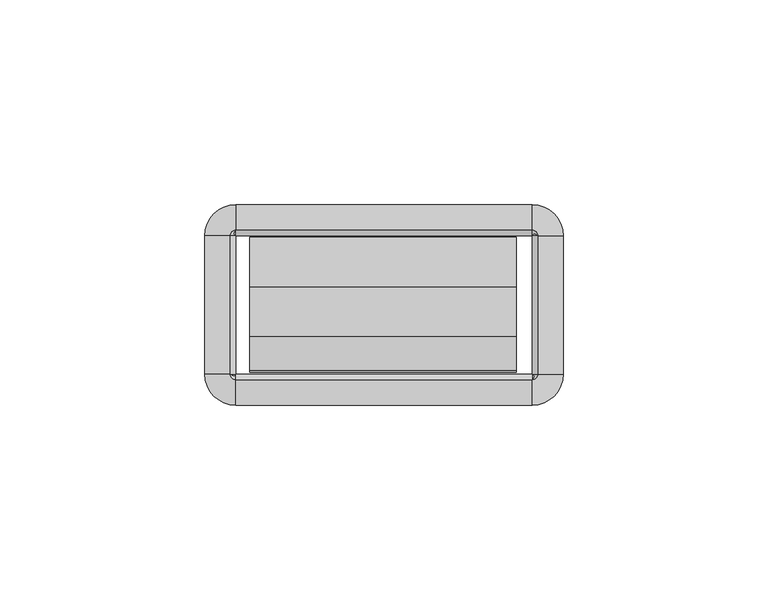
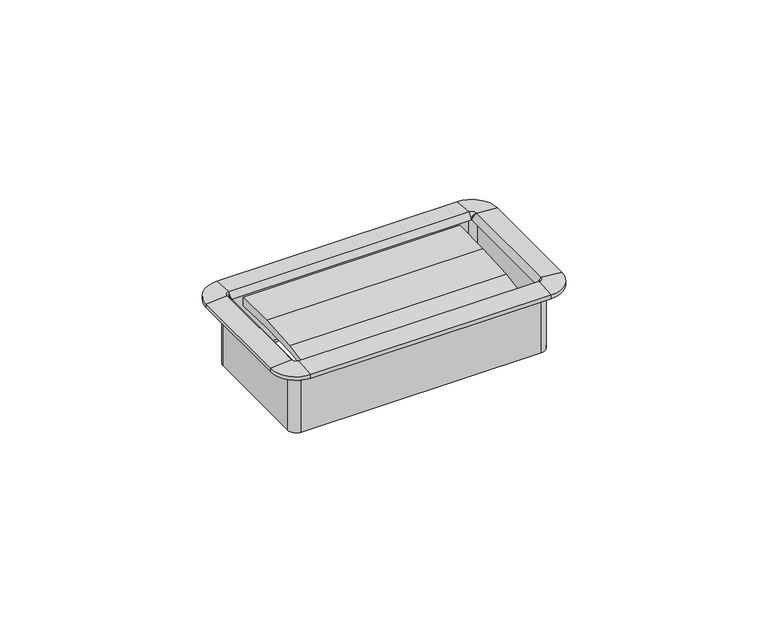
"""IFC4 building model written with IfcOpenShell, lengths in millimetres: furniture geometry."""

from ifc_helpers import new_model, si_unit, frame, origin, place, context, project, spatial, polyline, circle_curve, outline, extrude, source, transform, mapped, element, save
from ifc_brep_helpers import plane_surface, cylinder_surface, revolved_surface, advanced_brep


def furniture_0b63e266(model_context):
    return source(origin(), model_context, "Body", "SolidModel", [
        extrude(outline(polyline([(-27.4015977, 724.1717463), (-35.841251, 723.1081762), (-35.4230807, 724.4861243), (-27.1272776, 726.0251401), (-15.0207956, 726.8187076), (-2.8884162, 726.8638028), (-2.9633248, 724.1056515), (-15.1814712, 724.5046355), (-27.4015977, 724.1717463)])), frame((-32.8496732, 0.0, 0.0), z_axis=(1.0, 0.0, 0.0), x_axis=(0.0, 1.0, 0.0)), (0.0, 0.0, 1.0), 65.1763996),
        advanced_brep(
        [(37.8602578, -2.54, 727.1004), (36.1704551, -0.8501974, 727.1004), (36.1704551, -0.8501974, 708.2536), (37.8602578, -2.54, 708.2536), (37.5244377, -2.54, 728.7656454), (36.1704551, -1.1860174, 728.7656454), (36.1704551, -2.5172282, 727.1004), (43.7913825, -2.54, 728.2434), (36.1704551, 5.0809274, 728.2434), (43.7913825, -2.54, 727.1004), (36.1704551, 5.0809274, 727.1004), (38.7104551, -2.54, 706.7803989), (36.1704551, 0.0, 706.7803989), (36.1704551, 0.0, 727.1004), (38.7104551, -2.54, 727.1004), (37.8602578, -36.2712, 708.2536), (37.8602578, -36.2712, 727.1004), (36.1932269, -36.2712, 727.1004), (37.5244377, -36.2712, 728.7656454), (43.7913825, -36.2712, 728.2434), (43.7913825, -36.2712, 727.1004), (38.7104551, -36.2712, 727.1004), (38.7104551, -36.2712, 706.7803989), (36.1704551, -37.9610026, 727.1004), (36.1704551, -37.9610026, 708.2536), (36.1704551, -37.6251826, 728.7656454), (36.1704551, -43.8921274, 728.2434), (36.1704551, -43.8921274, 727.1004), (36.1704551, -38.8112, 706.7803989), (36.1704551, -38.8112, 727.1004), (-36.1687428, -37.9610026, 708.2536), (-36.1687428, -37.9610026, 727.1004), (-36.1687428, -36.2939718, 727.1004), (-36.1687428, -37.6251826, 728.7656454), (-36.1687428, -43.8921274, 728.2434), (-36.1687428, -43.8921274, 727.1004), (-36.1687428, -38.8112, 727.1004), (-36.1687428, -38.8112, 706.7803989), (-37.8585455, -36.2712, 727.1004), (-37.8585455, -36.2712, 708.2536), (-37.5227254, -36.2712, 728.7656454), (-43.7896702, -36.2712, 728.2434), (-43.7896702, -36.2712, 727.1004), (-38.7087428, -36.2712, 706.7803989), (-38.7087428, -36.2712, 727.1004), (-37.8585455, -2.54, 708.2536), (-37.8585455, -2.54, 727.1004), (-36.1915146, -2.54, 727.1004), (-37.5227254, -2.54, 728.7656454), (-43.7896702, -2.54, 728.2434), (-43.7896702, -2.54, 727.1004), (-38.7087428, -2.54, 727.1004), (-38.7087428, -2.54, 706.7803989), (-36.1687428, -0.8501974, 727.1004), (-36.1687428, -0.8501974, 708.2536), (-36.1687428, -1.1860174, 728.7656454), (-36.1687428, 5.0809274, 728.2434), (-36.1687428, 5.0809274, 727.1004), (-36.1687428, 0.0, 706.7803989), (-36.1687428, 0.0, 727.1004), (38.6519521, -2.54, 708.2536), (36.1704551, -0.058503, 708.2536), (38.6519521, -36.2712, 708.2536), (36.1704551, -38.752697, 708.2536), (-36.1687428, -38.752697, 708.2536), (-38.6502398, -36.2712, 708.2536), (-38.6502398, -2.54, 708.2536), (-36.1687428, -0.058503, 708.2536)],
        [
            (0, 1, circle_curve(frame((36.1704551, -2.54, 727.1004), z_axis=(0.0, 0.0, 1.0), x_axis=(0.0, 1.0, 0.0)), 1.6898026)),
            (1, 2),
            (2, 3, circle_curve(frame((36.1704551, -2.54, 708.2536), z_axis=(0.0, 0.0, -1.0), x_axis=(0.0, 1.0, 0.0)), 1.6898026)),
            (3, 0),
            (4, 5, circle_curve(frame((36.1704551, -2.54, 728.7656454), z_axis=(0.0, 0.0, 1.0), x_axis=(0.0, 1.0, 0.0)), 1.3539826)),
            (5, 6),
            (6, 4),
            (7, 8, circle_curve(frame((36.1704551, -2.54, 728.2434), z_axis=(0.0, 0.0, 1.0), x_axis=(0.0, 1.0, 0.0)), 7.6209274)),
            (8, 5),
            (4, 7),
            (9, 10, circle_curve(frame((36.1704551, -2.54, 727.1004), z_axis=(0.0, 0.0, 1.0), x_axis=(0.0, 1.0, 0.0)), 7.6209274)),
            (10, 8),
            (7, 9),
            (11, 12, circle_curve(frame((36.1704551, -2.54, 706.7803989), z_axis=(0.0, 0.0, 1.0), x_axis=(0.0, 1.0, 0.0)), 2.54)),
            (12, 13),
            (13, 14, circle_curve(frame((36.1704551, -2.54, 727.1004), z_axis=(0.0, 0.0, -1.0), x_axis=(0.0, 1.0, 0.0)), 2.54)),
            (14, 11),
            (3, 15),
            (15, 16),
            (16, 0),
            (6, 17),
            (17, 18),
            (18, 4),
            (18, 19),
            (19, 7),
            (19, 20),
            (20, 9),
            (14, 21),
            (21, 22),
            (22, 11),
            (23, 16, circle_curve(frame((36.1704551, -36.2712, 727.1004), z_axis=(0.0, 0.0, 1.0), x_axis=(1.0, 0.0, 0.0)), 1.6898026)),
            (15, 24, circle_curve(frame((36.1704551, -36.2712, 708.2536), z_axis=(0.0, 0.0, -1.0), x_axis=(1.0, 0.0, 0.0)), 1.6898026)),
            (24, 23),
            (25, 18, circle_curve(frame((36.1704551, -36.2712, 728.7656454), z_axis=(0.0, 0.0, 1.0), x_axis=(1.0, 0.0, 0.0)), 1.3539826)),
            (17, 25),
            (26, 19, circle_curve(frame((36.1704551, -36.2712, 728.2434), z_axis=(0.0, 0.0, 1.0), x_axis=(1.0, 0.0, 0.0)), 7.6209274)),
            (25, 26),
            (27, 20, circle_curve(frame((36.1704551, -36.2712, 727.1004), z_axis=(0.0, 0.0, 1.0), x_axis=(1.0, 0.0, 0.0)), 7.6209274)),
            (26, 27),
            (28, 22, circle_curve(frame((36.1704551, -36.2712, 706.7803989), z_axis=(0.0, 0.0, 1.0), x_axis=(1.0, 0.0, 0.0)), 2.54)),
            (21, 29, circle_curve(frame((36.1704551, -36.2712, 727.1004), z_axis=(0.0, 0.0, -1.0), x_axis=(1.0, 0.0, 0.0)), 2.54)),
            (29, 28),
            (24, 30),
            (30, 31),
            (31, 23),
            (17, 32),
            (32, 33),
            (33, 25),
            (33, 34),
            (34, 26),
            (34, 35),
            (35, 27),
            (29, 36),
            (36, 37),
            (37, 28),
            (38, 31, circle_curve(frame((-36.1687428, -36.2712, 727.1004), z_axis=(0.0, 0.0, 1.0), x_axis=(0.0, -1.0, 0.0)), 1.6898026)),
            (30, 39, circle_curve(frame((-36.1687428, -36.2712, 708.2536), z_axis=(0.0, 0.0, -1.0), x_axis=(0.0, -1.0, 0.0)), 1.6898026)),
            (39, 38),
            (40, 33, circle_curve(frame((-36.1687428, -36.2712, 728.7656454), z_axis=(0.0, 0.0, 1.0), x_axis=(0.0, -1.0, 0.0)), 1.3539826)),
            (32, 40),
            (41, 34, circle_curve(frame((-36.1687428, -36.2712, 728.2434), z_axis=(0.0, 0.0, 1.0), x_axis=(0.0, -1.0, 0.0)), 7.6209274)),
            (40, 41),
            (42, 35, circle_curve(frame((-36.1687428, -36.2712, 727.1004), z_axis=(0.0, 0.0, 1.0), x_axis=(0.0, -1.0, 0.0)), 7.6209274)),
            (41, 42),
            (43, 37, circle_curve(frame((-36.1687428, -36.2712, 706.7803989), z_axis=(0.0, 0.0, 1.0), x_axis=(0.0, -1.0, 0.0)), 2.54)),
            (36, 44, circle_curve(frame((-36.1687428, -36.2712, 727.1004), z_axis=(0.0, 0.0, -1.0), x_axis=(0.0, -1.0, 0.0)), 2.54)),
            (44, 43),
            (39, 45),
            (45, 46),
            (46, 38),
            (32, 47),
            (47, 48),
            (48, 40),
            (48, 49),
            (49, 41),
            (49, 50),
            (50, 42),
            (44, 51),
            (51, 52),
            (52, 43),
            (53, 46, circle_curve(frame((-36.1687428, -2.54, 727.1004), z_axis=(0.0, 0.0, 1.0), x_axis=(-1.0, 0.0, 0.0)), 1.6898026)),
            (45, 54, circle_curve(frame((-36.1687428, -2.54, 708.2536), z_axis=(0.0, 0.0, -1.0), x_axis=(-1.0, 0.0, 0.0)), 1.6898026)),
            (54, 53),
            (55, 48, circle_curve(frame((-36.1687428, -2.54, 728.7656454), z_axis=(0.0, 0.0, 1.0), x_axis=(-1.0, 0.0, 0.0)), 1.3539826)),
            (47, 55),
            (56, 49, circle_curve(frame((-36.1687428, -2.54, 728.2434), z_axis=(0.0, 0.0, 1.0), x_axis=(-1.0, 0.0, 0.0)), 7.6209274)),
            (55, 56),
            (57, 50, circle_curve(frame((-36.1687428, -2.54, 727.1004), z_axis=(0.0, 0.0, 1.0), x_axis=(-1.0, 0.0, 0.0)), 7.6209274)),
            (56, 57),
            (58, 52, circle_curve(frame((-36.1687428, -2.54, 706.7803989), z_axis=(0.0, 0.0, 1.0), x_axis=(-1.0, 0.0, 0.0)), 2.54)),
            (51, 59, circle_curve(frame((-36.1687428, -2.54, 727.1004), z_axis=(0.0, 0.0, -1.0), x_axis=(-1.0, 0.0, 0.0)), 2.54)),
            (59, 58),
            (54, 2),
            (1, 53),
            (6, 47),
            (5, 55),
            (8, 56),
            (10, 57),
            (13, 59),
            (12, 58),
            (60, 61, circle_curve(frame((36.1704551, -2.54, 708.2536), z_axis=(0.0, 0.0, 1.0), x_axis=(0.0, 1.0, 0.0)), 2.481497)),
            (61, 12),
            (11, 60),
            (22, 62),
            (62, 60),
            (63, 62, circle_curve(frame((36.1704551, -36.2712, 708.2536), z_axis=(0.0, 0.0, 1.0), x_axis=(1.0, 0.0, 0.0)), 2.481497)),
            (28, 63),
            (37, 64),
            (64, 63),
            (65, 64, circle_curve(frame((-36.1687428, -36.2712, 708.2536), z_axis=(0.0, 0.0, 1.0), x_axis=(0.0, -1.0, 0.0)), 2.481497)),
            (43, 65),
            (52, 66),
            (66, 65),
            (67, 66, circle_curve(frame((-36.1687428, -2.54, 708.2536), z_axis=(0.0, 0.0, 1.0), x_axis=(-1.0, 0.0, 0.0)), 2.481497)),
            (58, 67),
            (61, 67),
        ],
        [
            revolved_surface(polyline([(36.1704551, -0.8501974000000001, 708.2536), (36.1704551, -0.8501974000000001, 727.1004)]), (36.1704551, -2.54, 727.1004), (0.0, 0.0, -1.0)),
            revolved_surface(polyline([(36.1704551, -2.5172282, 727.1004), (36.1704551, -1.1860174, 728.7656454)]), (36.1704551, -2.54, 727.1004), (0.0, 0.0, -1.0)),
            revolved_surface(polyline([(36.1704551, -1.1860174, 728.7656454), (36.1704551, 5.0809274, 728.2434)]), (36.1704551, -2.54, 727.1004), (0.0, 0.0, -1.0)),
            cylinder_surface(frame((36.1704551, -2.54, 727.1004), z_axis=(0.0, 0.0, -1.0), x_axis=(0.0, 1.0, 0.0)), 7.6209274),
            cylinder_surface(frame((36.1704551, -2.54, 727.1004), z_axis=(0.0, 0.0, -1.0), x_axis=(0.0, 1.0, 0.0)), 2.54),
            plane_surface(frame((37.8602578, -2.54, 708.2536), z_axis=(-1.0, 0.0, 0.0), x_axis=(0.0, -1.0, 0.0))),
            plane_surface(frame((36.1932269, -2.54, 727.1004), z_axis=(-0.7810942622858547, 0.0, 0.6244131272035499), x_axis=(0.0, -1.0, 0.0))),
            plane_surface(frame((37.5244377, -2.54, 728.7656454), z_axis=(0.08304548081379862, 0.0, 0.9965457581648749), x_axis=(0.0, -1.0, 0.0))),
            plane_surface(frame((43.7913825, -2.54, 728.2434), z_axis=(1.0, 0.0, 0.0), x_axis=(0.0, -1.0, 0.0))),
            plane_surface(frame((38.7104551, -2.54, 727.1004), z_axis=(1.0, 0.0, 0.0), x_axis=(0.0, -1.0, 0.0))),
            revolved_surface(polyline([(37.8602577, -36.2712, 708.2536), (37.8602577, -36.2712, 727.1004)]), (36.1704551, -36.2712, 727.1004), (0.0, 0.0, -1.0)),
            revolved_surface(polyline([(36.1932269, -36.2712, 727.1004), (37.5244377, -36.2712, 728.7656454)]), (36.1704551, -36.2712, 727.1004), (0.0, 0.0, -1.0)),
            revolved_surface(polyline([(37.5244377, -36.2712, 728.7656454), (43.7913825, -36.2712, 728.2434)]), (36.1704551, -36.2712, 727.1004), (0.0, 0.0, -1.0)),
            cylinder_surface(frame((36.1704551, -36.2712, 727.1004), z_axis=(0.0, 0.0, -1.0), x_axis=(1.0, 0.0, 0.0)), 7.6209274),
            cylinder_surface(frame((36.1704551, -36.2712, 727.1004), z_axis=(0.0, 0.0, -1.0), x_axis=(1.0, 0.0, 0.0)), 2.54),
            plane_surface(frame((36.1704551, -37.9610026, 708.2536), z_axis=(0.0, 1.0, 0.0), x_axis=(-1.0, 0.0, 0.0))),
            plane_surface(frame((36.1704551, -36.2939718, 727.1004), z_axis=(0.0, 0.7810942622858565, 0.6244131272035475), x_axis=(-1.0, 0.0, 0.0))),
            plane_surface(frame((36.1704551, -37.6251826, 728.7656454), z_axis=(0.0, -0.08304548081379555, 0.9965457581648751), x_axis=(-1.0, 0.0, 0.0))),
            plane_surface(frame((36.1704551, -43.8921274, 728.2434), z_axis=(0.0, -1.0, 0.0), x_axis=(-1.0, 0.0, 0.0))),
            plane_surface(frame((36.1704551, -38.8112, 727.1004), z_axis=(0.0, -1.0, 0.0), x_axis=(-1.0, 0.0, 0.0))),
            revolved_surface(polyline([(-36.1687428, -37.9610026, 708.2536), (-36.1687428, -37.9610026, 727.1004)]), (-36.1687428, -36.2712, 727.1004), (0.0, 0.0, -1.0)),
            revolved_surface(polyline([(-36.1687428, -36.2939718, 727.1004), (-36.1687428, -37.6251826, 728.7656454)]), (-36.1687428, -36.2712, 727.1004), (0.0, 0.0, -1.0)),
            revolved_surface(polyline([(-36.1687428, -37.6251826, 728.7656454), (-36.1687428, -43.8921274, 728.2434)]), (-36.1687428, -36.2712, 727.1004), (0.0, 0.0, -1.0)),
            cylinder_surface(frame((-36.1687428, -36.2712, 727.1004), z_axis=(0.0, 0.0, -1.0), x_axis=(0.0, -1.0, 0.0)), 7.6209274),
            cylinder_surface(frame((-36.1687428, -36.2712, 727.1004), z_axis=(0.0, 0.0, -1.0), x_axis=(0.0, -1.0, 0.0)), 2.54),
            plane_surface(frame((-37.8585455, -36.2712, 708.2536), z_axis=(1.0, 0.0, 0.0), x_axis=(0.0, 1.0, 0.0))),
            plane_surface(frame((-36.1915146, -36.2712, 727.1004), z_axis=(0.7810942622858585, 0.0, 0.6244131272035451), x_axis=(0.0, 1.0, 0.0))),
            plane_surface(frame((-37.5227254, -36.2712, 728.7656454), z_axis=(-0.08304548081379248, 0.0, 0.9965457581648753), x_axis=(0.0, 1.0, 0.0))),
            plane_surface(frame((-43.7896702, -36.2712, 728.2434), z_axis=(-1.0, 0.0, 0.0), x_axis=(0.0, 1.0, 0.0))),
            plane_surface(frame((-38.7087428, -36.2712, 727.1004), z_axis=(-1.0, 0.0, 0.0), x_axis=(0.0, 1.0, 0.0))),
            revolved_surface(polyline([(-37.8585454, -2.54, 708.2536), (-37.8585454, -2.54, 727.1004)]), (-36.1687428, -2.54, 727.1004), (0.0, 0.0, -1.0)),
            revolved_surface(polyline([(-36.1915146, -2.54, 727.1004), (-37.5227254, -2.54, 728.7656454)]), (-36.1687428, -2.54, 727.1004), (0.0, 0.0, -1.0)),
            revolved_surface(polyline([(-37.5227254, -2.54, 728.7656454), (-43.7896702, -2.54, 728.2434)]), (-36.1687428, -2.54, 727.1004), (0.0, 0.0, -1.0)),
            cylinder_surface(frame((-36.1687428, -2.54, 727.1004), z_axis=(0.0, 0.0, -1.0), x_axis=(-1.0, 0.0, 0.0)), 7.6209274),
            cylinder_surface(frame((-36.1687428, -2.54, 727.1004), z_axis=(0.0, 0.0, -1.0), x_axis=(-1.0, 0.0, 0.0)), 2.54),
            plane_surface(frame((-36.1687428, -0.8501974, 708.2536), z_axis=(0.0, -1.0, 0.0), x_axis=(1.0, 0.0, 0.0))),
            plane_surface(frame((-36.1687428, -0.8501974, 727.1004), z_axis=(0.0, 0.0, -1.0), x_axis=(1.0, 0.0, 0.0))),
            plane_surface(frame((-36.1687428, -2.5172282, 727.1004), z_axis=(0.0, -0.7810942622858567, 0.6244131272035476), x_axis=(1.0, 0.0, 0.0))),
            plane_surface(frame((-36.1687428, -1.1860174, 728.7656454), z_axis=(0.0, 0.08304548081379555, 0.9965457581648751), x_axis=(1.0, 0.0, 0.0))),
            plane_surface(frame((-36.1687428, 5.0809274, 728.2434), z_axis=(0.0, 1.0, 0.0), x_axis=(1.0, 0.0, 0.0))),
            plane_surface(frame((-36.1687428, 5.0809274, 727.1004), z_axis=(0.0, 0.0, -1.0), x_axis=(1.0, 0.0, 0.0))),
            plane_surface(frame((-36.1687428, 0.0, 727.1004), z_axis=(0.0, 1.0, 0.0), x_axis=(1.0, 0.0, 0.0))),
            revolved_surface(polyline([(36.1704551, 0.0, 706.7803989), (36.1704551, -0.058503, 708.2536)]), (36.1704551, -2.54, 727.1004), (0.0, 0.0, -1.0)),
            plane_surface(frame((38.7104551, -2.54, 706.7803989), z_axis=(-0.9992124303949471, 0.0, -0.03968020847000604), x_axis=(0.0, -1.0, 0.0))),
            revolved_surface(polyline([(38.7104551, -36.2712, 706.7803989), (38.6519521, -36.2712, 708.2536)]), (36.1704551, -36.2712, 727.1004), (0.0, 0.0, -1.0)),
            plane_surface(frame((36.1704551, -38.8112, 706.7803989), z_axis=(0.0, 0.999212430394947, -0.039680208470009116), x_axis=(-1.0, 0.0, 0.0))),
            revolved_surface(polyline([(-36.1687428, -38.8112, 706.7803989), (-36.1687428, -38.752697, 708.2536)]), (-36.1687428, -36.2712, 727.1004), (0.0, 0.0, -1.0)),
            plane_surface(frame((-38.7087428, -36.2712, 706.7803989), z_axis=(0.9992124303949469, 0.0, -0.03968020847001219), x_axis=(0.0, 1.0, 0.0))),
            revolved_surface(polyline([(-38.7087428, -2.54, 706.7803989), (-38.6502398, -2.54, 708.2536)]), (-36.1687428, -2.54, 727.1004), (0.0, 0.0, -1.0)),
            plane_surface(frame((-36.1687428, 0.0, 706.7803989), z_axis=(0.0, -0.999212430394947, -0.039680208470009116), x_axis=(1.0, 0.0, 0.0))),
            plane_surface(frame((-36.1687428, -0.058503, 708.2536), z_axis=(0.0, 0.0, -1.0), x_axis=(1.0, 0.0, 0.0))),
        ],
        [
            (0, [[1, 2, 3, 4]]),
            (1, [[5, 6, 7]]),
            (2, [[8, 9, -5, 10]]),
            (3, [[11, 12, -8, 13]]),
            (4, [[14, 15, 16, 17]]),
            (5, [[-4, 18, 19, 20]]),
            (6, [[-7, 21, 22, 23]]),
            (7, [[-10, -23, 24, 25]]),
            (8, [[-13, -25, 26, 27]]),
            (9, [[-17, 28, 29, 30]]),
            (10, [[31, -19, 32, 33]]),
            (11, [[34, -22, 35]]),
            (12, [[36, -24, -34, 37]]),
            (13, [[38, -26, -36, 39]]),
            (14, [[40, -29, 41, 42]]),
            (15, [[-33, 43, 44, 45]]),
            (16, [[-35, 46, 47, 48]]),
            (17, [[-37, -48, 49, 50]]),
            (18, [[-39, -50, 51, 52]]),
            (19, [[-42, 53, 54, 55]]),
            (20, [[56, -44, 57, 58]]),
            (21, [[59, -47, 60]]),
            (22, [[61, -49, -59, 62]]),
            (23, [[63, -51, -61, 64]]),
            (24, [[65, -54, 66, 67]]),
            (25, [[-58, 68, 69, 70]]),
            (26, [[-60, 71, 72, 73]]),
            (27, [[-62, -73, 74, 75]]),
            (28, [[-64, -75, 76, 77]]),
            (29, [[-67, 78, 79, 80]]),
            (30, [[81, -69, 82, 83]]),
            (31, [[84, -72, 85]]),
            (32, [[86, -74, -84, 87]]),
            (33, [[88, -76, -86, 89]]),
            (34, [[90, -79, 91, 92]]),
            (35, [[-83, 93, -2, 94]]),
            (36, [[-70, -81, -94, -1, -20, -31, -45, -56], [95, -71, -46, -21]]),
            (37, [[-85, -95, -6, 96]]),
            (38, [[-87, -96, -9, 97]]),
            (39, [[-89, -97, -12, 98]]),
            (40, [[-77, -88, -98, -11, -27, -38, -52, -63], [99, -91, -78, -66, -53, -41, -28, -16]]),
            (41, [[-92, -99, -15, 100]]),
            (42, [[101, 102, -14, 103]]),
            (43, [[-103, -30, 104, 105]]),
            (44, [[106, -104, -40, 107]]),
            (45, [[-107, -55, 108, 109]]),
            (46, [[110, -108, -65, 111]]),
            (47, [[-111, -80, 112, 113]]),
            (48, [[114, -112, -90, 115]]),
            (49, [[-115, -100, -102, 116]]),
            (50, [[-113, -114, -116, -101, -105, -106, -109, -110], [-93, -82, -68, -57, -43, -32, -18, -3]]),
        ],
    ),
    ])


if __name__ == "__main__":
    model = new_model("IFC4")
    model_context = context("Model", 3, world=origin())
    ifc_project = project(units=[si_unit("LENGTHUNIT", "METRE", prefix="MILLI")], contexts=[model_context])
    site = spatial("IfcSite", under=ifc_project)
    building = spatial("IfcBuilding", under=site)
    placement = place(None, origin())
    furniture_shape = furniture_0b63e266(model_context)
    element("IfcFurniture", 1, at=placement, inside=building, context=model_context, shape_type="MappedRepresentation", body=[
        mapped(furniture_shape, transform((0.0, 0.0, 0.0), x_axis=(1.0, 0.0, 0.0), y_axis=(0.0, 1.0, 0.0), z_axis=(0.0, 0.0, 1.0))),
    ])
    save(model, "model.ifc")
